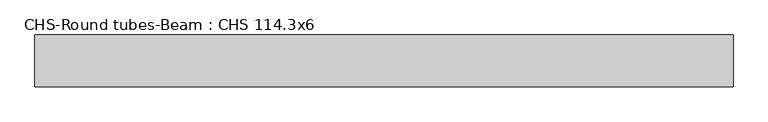
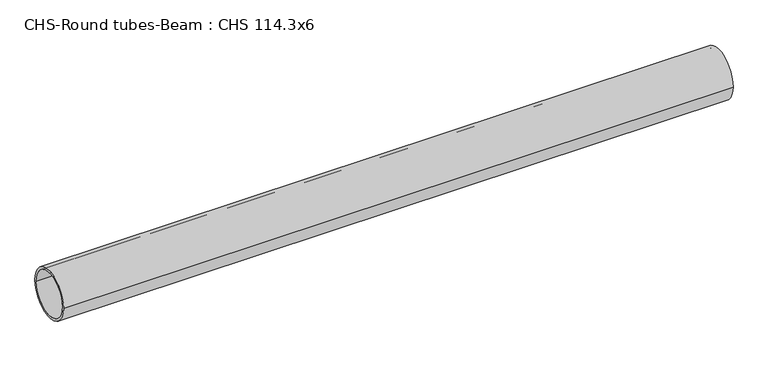
"""IFC4 building model written with IfcOpenShell, lengths in millimetres: beam geometry, CHS-Round tubes-Beam : CHS 114.3x6."""

from ifc_helpers import new_model, si_unit, point, frame, origin, origin_2d, place, context, project, spatial, circle_curve, trimmed, segment, composite_curve, outline, extrude, source, transform, mapped, element, save


def chs_round_tubes_beam_chs_114_3x6_96ebc26c(model_context):
    return source(origin(), model_context, "Body", "SweptSolid", [
        extrude(outline(composite_curve([segment(trimmed(circle_curve(origin_2d(), 57.15), [point((57.15, 0.0))], [point((-57.15, 0.0))], False, "CARTESIAN"), True, "CONTINUOUS"), segment(trimmed(circle_curve(origin_2d(), 57.15), [point((-57.15, 0.0))], [point((57.15, 0.0))], False, "CARTESIAN"), True, "CONTINUOUS")], self_intersect=False), holes=[composite_curve([segment(trimmed(circle_curve(origin_2d(), 51.15), [point((51.15, 0.0))], [point((-51.15, 0.0))], True, "CARTESIAN"), True, "CONTINUOUS"), segment(trimmed(circle_curve(origin_2d(), 51.15), [point((-51.15, 0.0))], [point((51.15, 0.0))], True, "CARTESIAN"), True, "CONTINUOUS")], self_intersect=False)]), frame((-746.5011765, 0.0, 0.0), z_axis=(1.0, 0.0, 0.0), x_axis=(0.0, 1.0, 0.0)), (0.0, 0.0, 1.0), 1536.1951222),
    ])


if __name__ == "__main__":
    model = new_model("IFC4")
    model_context = context("Model", 3, world=origin())
    ifc_project = project(units=[si_unit("LENGTHUNIT", "METRE", prefix="MILLI")], contexts=[model_context])
    site = spatial("IfcSite", under=ifc_project)
    building = spatial("IfcBuilding", under=site)
    placement = place(None, origin())
    chs_round_tubes_beam_chs_114_3x6_shape = chs_round_tubes_beam_chs_114_3x6_96ebc26c(model_context)
    element("IfcBeam", 1, ObjectType="CHS-Round tubes-Beam : CHS 114.3x6", at=placement, inside=building, context=model_context, shape_type="MappedRepresentation", body=[
        mapped(chs_round_tubes_beam_chs_114_3x6_shape, transform((0.0, 0.0, 0.0), x_axis=(1.0, 0.0, 0.0), y_axis=(0.0, 1.0, 0.0), z_axis=(0.0, 0.0, 1.0))),
    ])
    save(model, "model.ifc")
